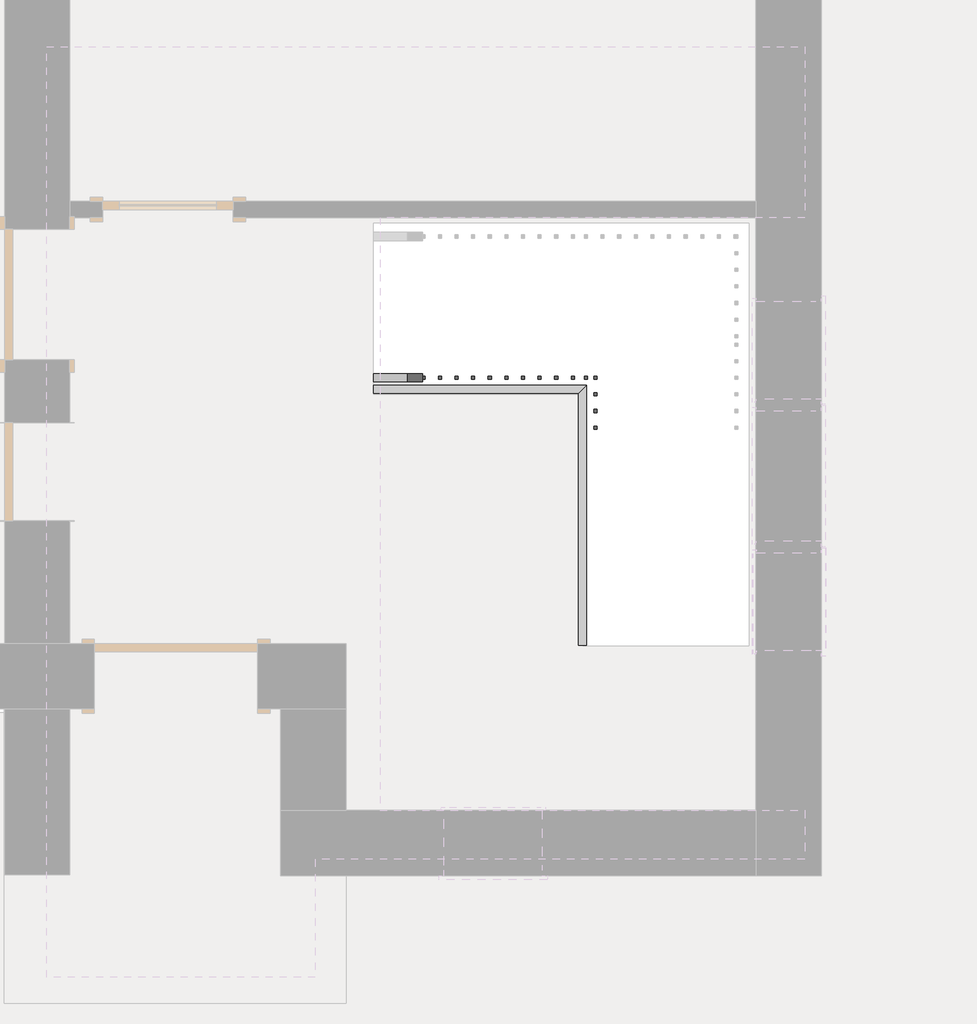
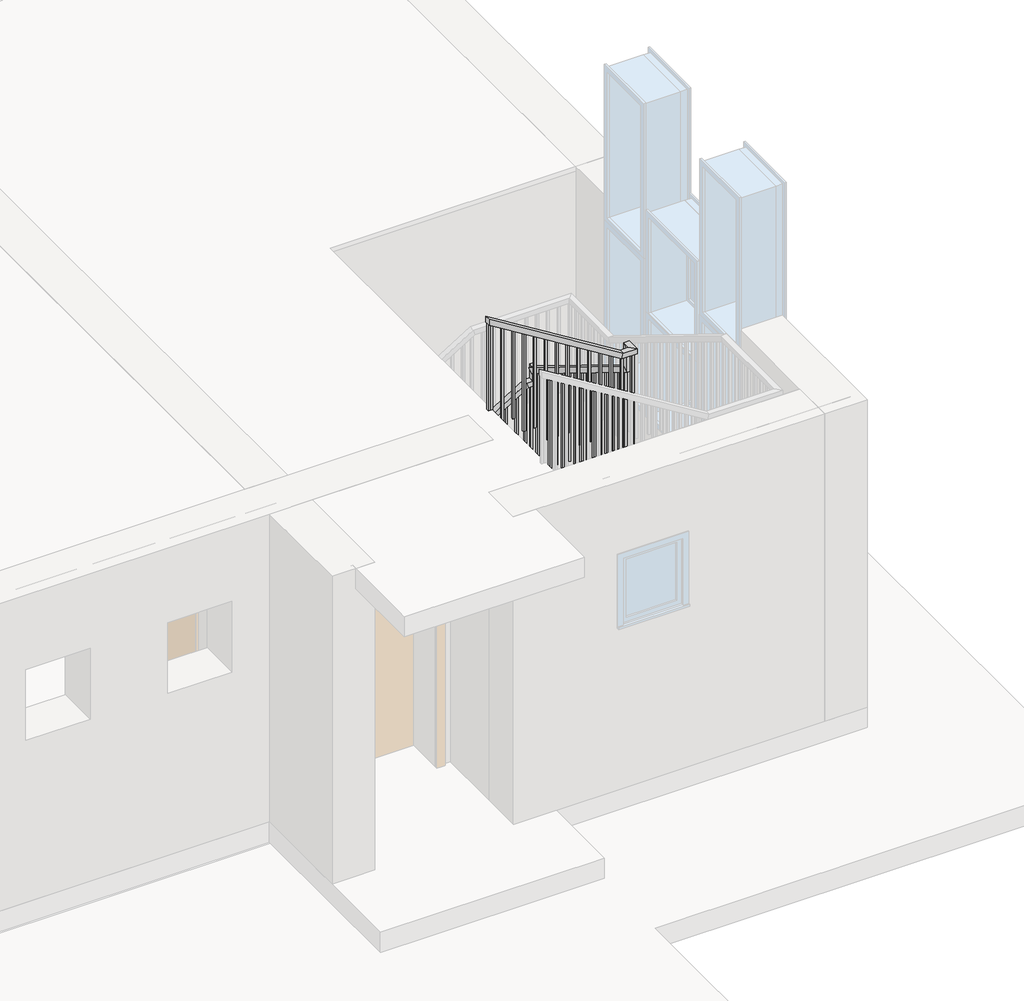
# One storey, part 2 of 3: 2 railings.
"""IFC4 building model written with IfcOpenShell, lengths in millimetres."""

from ifc_helpers import new_model, si_unit, frame, origin, origin_with_axes, place, context, project, spatial, polyline, outline, extrude, faceted_brep, element, save

model = new_model("IFC4")

# Units and contexts
model_context = context("Model", 3, world=origin())
ifc_project = project(units=[si_unit("LENGTHUNIT", "METRE", prefix="MILLI")], contexts=[model_context])

# Site, building, storey
site = spatial("IfcSite", under=ifc_project)
building = spatial("IfcBuilding", under=site)
storey = spatial("IfcBuildingStorey", under=building, Elevation=0.0)

# Railings
placement = place(None, origin())
element("IfcRailing", 1, ObjectType="Handrail - Rectangular", at=placement, inside=storey, context=model_context, shape_type="SolidModel", body=[
    faceted_brep([(-5711.5339318, 5835.2347136, 1074.4), (-5711.5339318, 5835.2347136, 1014.7516657), (-5711.5339318, 5784.4347136, 1014.7516657), (-5711.5339318, 5784.4347136, 1074.4), (-4411.5339318, 5835.2347136, 1874.4), (-4397.1553886, 5835.2347136, 1823.6), (-4397.1553886, 5784.4347136, 1823.6), (-4411.5339318, 5784.4347136, 1874.4), (-4354.3839318, 5835.2347136, 1874.4), (-4354.3839318, 5784.4347136, 1874.4), (-4303.5839318, 5784.4347136, 1823.6), (-4303.5839318, 5835.2347136, 1823.6)], [[[0, 1, 2, 3]], [[1, 0, 4, 5]], [[2, 1, 5, 6]], [[3, 2, 6, 7]], [[0, 3, 7, 4]], [[8, 9, 10, 11]], [[5, 4, 8, 11]], [[6, 5, 11, 10]], [[7, 6, 10, 9]], [[4, 7, 9, 8]]]),
    faceted_brep([(-4354.3839318, 5835.2347136, 1874.4), (-4303.5839318, 5835.2347136, 1823.6), (-4303.5839318, 5784.4347136, 1823.6), (-4354.3839318, 5784.4347136, 1874.4), (-4354.3839318, 5835.2347136, 2013.4241672), (-4354.3839318, 5784.4347136, 1985.0373713), (-4303.5839318, 5784.4347136, 1985.0373713), (-4303.5839318, 5835.2347136, 2013.4241672)], [[[0, 1, 2, 3]], [[4, 5, 6, 7]], [[1, 0, 4, 7]], [[2, 1, 7, 6]], [[3, 2, 6, 5]], [[0, 3, 5, 4]]]),
    faceted_brep([(-4328.9839318, 5809.8347136, 1999.2307692), (-4328.9839318, 5759.0347136, 1970.8439734), (-4379.7839318, 5759.0347136, 1970.8439734), (-4379.7839318, 5809.8347136, 1999.2307692), (-4328.9839318, 4268.8847136, 2947.5076923), (-4328.9839318, 4218.0847136, 2919.1208965), (-4379.7839318, 4218.0847136, 2919.1208965), (-4379.7839318, 4268.8847136, 2947.5076923), (-4328.9839318, 4268.8847136, 3181.7538462), (-4328.9839318, 4218.0847136, 3130.9538462), (-4379.7839318, 4218.0847136, 3130.9538462), (-4379.7839318, 4268.8847136, 3181.7538462), (-4328.9839318, 4141.8847136, 3181.7538462), (-4328.9839318, 4141.8847136, 3130.9538462), (-4379.7839318, 4192.6847136, 3130.9538462), (-4379.7839318, 4192.6847136, 3181.7538462), (-4455.9839318, 4141.8847136, 3181.7538462), (-4470.3624751, 4141.8847136, 3130.9538462), (-4470.3624751, 4192.6847136, 3130.9538462), (-4455.9839318, 4192.6847136, 3181.7538462), (-5711.5339318, 4141.8847136, 3954.4), (-5711.5339318, 4192.6847136, 3954.4), (-5711.5339318, 4192.6847136, 3894.7516657), (-5711.5339318, 4141.8847136, 3894.7516657)], [[[0, 1, 2, 3]], [[1, 0, 4, 5]], [[2, 1, 5, 6]], [[3, 2, 6, 7]], [[0, 3, 7, 4]], [[5, 4, 8, 9]], [[6, 5, 9, 10]], [[7, 6, 10, 11]], [[4, 7, 11, 8]], [[9, 8, 12, 13]], [[10, 9, 13, 14]], [[11, 10, 14, 15]], [[8, 11, 15, 12]], [[13, 12, 16, 17]], [[14, 13, 17, 18]], [[15, 14, 18, 19]], [[12, 15, 19, 16]], [[20, 21, 22, 23]], [[17, 16, 20, 23]], [[18, 17, 23, 22]], [[19, 18, 22, 21]], [[16, 19, 21, 20]]]),
    extrude(outline(polyline([(3866.5208965, -5665.6589318), (3878.2439734, -5684.7089318), (2880.0, -5684.7089318), (2880.0, -5665.6589318), (3866.5208965, -5665.6589318)])), frame((0.0, 4157.7597136, 0.0), z_axis=(0.0, 1.0, 0.0), x_axis=(0.0, 0.0, 1.0)), (0.0, 0.0, 1.0), 19.05),
    extrude(outline(polyline([(3803.9978195, -5564.0589318), (3815.7208965, -5583.1089318), (2880.0, -5583.1089318), (2880.0, -5564.0589318), (3803.9978195, -5564.0589318)])), frame((0.0, 4157.7597136, 0.0), z_axis=(0.0, 1.0, 0.0), x_axis=(0.0, 0.0, 1.0)), (0.0, 0.0, 1.0), 19.05),
    extrude(outline(polyline([(3741.4747426, -5462.4589318), (3753.1978195, -5481.5089318), (2880.0, -5481.5089318), (2880.0, -5462.4589318), (3741.4747426, -5462.4589318)])), frame((0.0, 4157.7597136, 0.0), z_axis=(0.0, 1.0, 0.0), x_axis=(0.0, 0.0, 1.0)), (0.0, 0.0, 1.0), 19.05),
    extrude(outline(polyline([(3678.9516657, -5360.8589318), (3690.6747426, -5379.9089318), (2720.0, -5379.9089318), (2720.0, -5360.8589318), (3678.9516657, -5360.8589318)])), frame((0.0, 4157.7597136, 0.0), z_axis=(0.0, 1.0, 0.0), x_axis=(0.0, 0.0, 1.0)), (0.0, 0.0, 1.0), 19.05),
    extrude(outline(polyline([(3616.4285888, -5259.2589318), (3628.1516657, -5278.3089318), (2720.0, -5278.3089318), (2720.0, -5259.2589318), (3616.4285888, -5259.2589318)])), frame((0.0, 4157.7597136, 0.0), z_axis=(0.0, 1.0, 0.0), x_axis=(0.0, 0.0, 1.0)), (0.0, 0.0, 1.0), 19.05),
    extrude(outline(polyline([(3553.9055118, -5157.6589318), (3565.6285888, -5176.7089318), (2560.0, -5176.7089318), (2560.0, -5157.6589318), (3553.9055118, -5157.6589318)])), frame((0.0, 4157.7597136, 0.0), z_axis=(0.0, 1.0, 0.0), x_axis=(0.0, 0.0, 1.0)), (0.0, 0.0, 1.0), 19.05),
    extrude(outline(polyline([(3491.3824349, -5056.0589318), (3503.1055118, -5075.1089318), (2560.0, -5075.1089318), (2560.0, -5056.0589318), (3491.3824349, -5056.0589318)])), frame((0.0, 4157.7597136, 0.0), z_axis=(0.0, 1.0, 0.0), x_axis=(0.0, 0.0, 1.0)), (0.0, 0.0, 1.0), 19.05),
    extrude(outline(polyline([(3428.859358, -4954.4589318), (3440.5824349, -4973.5089318), (2560.0, -4973.5089318), (2560.0, -4954.4589318), (3428.859358, -4954.4589318)])), frame((0.0, 4157.7597136, 0.0), z_axis=(0.0, 1.0, 0.0), x_axis=(0.0, 0.0, 1.0)), (0.0, 0.0, 1.0), 19.05),
    extrude(outline(polyline([(3366.3362811, -4852.8589318), (3378.059358, -4871.9089318), (2400.0, -4871.9089318), (2400.0, -4852.8589318), (3366.3362811, -4852.8589318)])), frame((0.0, 4157.7597136, 0.0), z_axis=(0.0, 1.0, 0.0), x_axis=(0.0, 0.0, 1.0)), (0.0, 0.0, 1.0), 19.05),
    extrude(outline(polyline([(3303.8132041, -4751.2589318), (3315.5362811, -4770.3089318), (2400.0, -4770.3089318), (2400.0, -4751.2589318), (3303.8132041, -4751.2589318)])), frame((0.0, 4157.7597136, 0.0), z_axis=(0.0, 1.0, 0.0), x_axis=(0.0, 0.0, 1.0)), (0.0, 0.0, 1.0), 19.05),
    extrude(outline(polyline([(3241.2901272, -4649.6589318), (3253.0132041, -4668.7089318), (2240.0, -4668.7089318), (2240.0, -4649.6589318), (3241.2901272, -4649.6589318)])), frame((0.0, 4157.7597136, 0.0), z_axis=(0.0, 1.0, 0.0), x_axis=(0.0, 0.0, 1.0)), (0.0, 0.0, 1.0), 19.05),
    extrude(outline(polyline([(3178.7670503, -4548.0589318), (3190.4901272, -4567.1089318), (2240.0, -4567.1089318), (2240.0, -4548.0589318), (3178.7670503, -4548.0589318)])), frame((0.0, 4157.7597136, 0.0), z_axis=(0.0, 1.0, 0.0), x_axis=(0.0, 0.0, 1.0)), (0.0, 0.0, 1.0), 19.05),
    extrude(outline(polyline([(-4446.4589318, 4176.8097136), (-4446.4589318, 4157.7597136), (-4465.5089318, 4157.7597136), (-4465.5089318, 4176.8097136), (-4446.4589318, 4176.8097136)])), frame((0.0, 0.0, 2240.0), z_axis=(0.0, 0.0, 1.0), x_axis=(1.0, 0.0, 0.0)), (0.0, 0.0, 1.0), 890.9538462),
    extrude(outline(polyline([(-4363.9089318, 4193.7597136), (-4344.8589318, 4193.7597136), (-4344.8589318, 4174.7097136), (-4363.9089318, 4174.7097136), (-4363.9089318, 4193.7597136)])), frame((0.0, 0.0, 2080.0), z_axis=(0.0, 0.0, 1.0), x_axis=(1.0, 0.0, 0.0)), (0.0, 0.0, 1.0), 1050.9538462),
    extrude(outline(polyline([(4276.3097136, 2883.2901272), (4295.3597136, 2871.5670503), (4295.3597136, 1920.0), (4276.3097136, 1920.0), (4276.3097136, 2883.2901272)])), frame((-4363.9089318, 0.0, 0.0), z_axis=(1.0, 0.0, 0.0), x_axis=(0.0, 1.0, 0.0)), (0.0, 0.0, 1.0), 19.05),
    extrude(outline(polyline([(4377.9097136, 2820.7670503), (4396.9597136, 2809.0439734), (4396.9597136, 1920.0), (4377.9097136, 1920.0), (4377.9097136, 2820.7670503)])), frame((-4363.9089318, 0.0, 0.0), z_axis=(1.0, 0.0, 0.0), x_axis=(0.0, 1.0, 0.0)), (0.0, 0.0, 1.0), 19.05),
    extrude(outline(polyline([(4479.5097136, 2758.2439734), (4498.5597136, 2746.5208965), (4498.5597136, 1760.0), (4479.5097136, 1760.0), (4479.5097136, 2758.2439734)])), frame((-4363.9089318, 0.0, 0.0), z_axis=(1.0, 0.0, 0.0), x_axis=(0.0, 1.0, 0.0)), (0.0, 0.0, 1.0), 19.05),
    extrude(outline(polyline([(4581.1097136, 2695.7208965), (4600.1597136, 2683.9978195), (4600.1597136, 1760.0), (4581.1097136, 1760.0), (4581.1097136, 2695.7208965)])), frame((-4363.9089318, 0.0, 0.0), z_axis=(1.0, 0.0, 0.0), x_axis=(0.0, 1.0, 0.0)), (0.0, 0.0, 1.0), 19.05),
    extrude(outline(polyline([(4682.7097136, 2633.1978195), (4701.7597136, 2621.4747426), (4701.7597136, 1760.0), (4682.7097136, 1760.0), (4682.7097136, 2633.1978195)])), frame((-4363.9089318, 0.0, 0.0), z_axis=(1.0, 0.0, 0.0), x_axis=(0.0, 1.0, 0.0)), (0.0, 0.0, 1.0), 19.05),
    extrude(outline(polyline([(4784.3097136, 2570.6747426), (4803.3597136, 2558.9516657), (4803.3597136, 1600.0), (4784.3097136, 1600.0), (4784.3097136, 2570.6747426)])), frame((-4363.9089318, 0.0, 0.0), z_axis=(1.0, 0.0, 0.0), x_axis=(0.0, 1.0, 0.0)), (0.0, 0.0, 1.0), 19.05),
    extrude(outline(polyline([(4885.9097136, 2508.1516657), (4904.9597136, 2496.4285888), (4904.9597136, 1600.0), (4885.9097136, 1600.0), (4885.9097136, 2508.1516657)])), frame((-4363.9089318, 0.0, 0.0), z_axis=(1.0, 0.0, 0.0), x_axis=(0.0, 1.0, 0.0)), (0.0, 0.0, 1.0), 19.05),
    extrude(outline(polyline([(4987.5097136, 2445.6285888), (5006.5597136, 2433.9055118), (5006.5597136, 1440.0), (4987.5097136, 1440.0), (4987.5097136, 2445.6285888)])), frame((-4363.9089318, 0.0, 0.0), z_axis=(1.0, 0.0, 0.0), x_axis=(0.0, 1.0, 0.0)), (0.0, 0.0, 1.0), 19.05),
    extrude(outline(polyline([(5089.1097136, 2383.1055118), (5108.1597136, 2371.3824349), (5108.1597136, 1440.0), (5089.1097136, 1440.0), (5089.1097136, 2383.1055118)])), frame((-4363.9089318, 0.0, 0.0), z_axis=(1.0, 0.0, 0.0), x_axis=(0.0, 1.0, 0.0)), (0.0, 0.0, 1.0), 19.05),
    extrude(outline(polyline([(5190.7097136, 2320.5824349), (5209.7597136, 2308.859358), (5209.7597136, 1440.0), (5190.7097136, 1440.0), (5190.7097136, 2320.5824349)])), frame((-4363.9089318, 0.0, 0.0), z_axis=(1.0, 0.0, 0.0), x_axis=(0.0, 1.0, 0.0)), (0.0, 0.0, 1.0), 19.05),
    extrude(outline(polyline([(5292.3097136, 2258.059358), (5311.3597136, 2246.3362811), (5311.3597136, 1280.0), (5292.3097136, 1280.0), (5292.3097136, 2258.059358)])), frame((-4363.9089318, 0.0, 0.0), z_axis=(1.0, 0.0, 0.0), x_axis=(0.0, 1.0, 0.0)), (0.0, 0.0, 1.0), 19.05),
    extrude(outline(polyline([(5393.9097136, 2195.5362811), (5412.9597136, 2183.8132041), (5412.9597136, 1280.0), (5393.9097136, 1280.0), (5393.9097136, 2195.5362811)])), frame((-4363.9089318, 0.0, 0.0), z_axis=(1.0, 0.0, 0.0), x_axis=(0.0, 1.0, 0.0)), (0.0, 0.0, 1.0), 19.05),
    extrude(outline(polyline([(5495.5097136, 2133.0132041), (5514.5597136, 2121.2901272), (5514.5597136, 1120.0), (5495.5097136, 1120.0), (5495.5097136, 2133.0132041)])), frame((-4363.9089318, 0.0, 0.0), z_axis=(1.0, 0.0, 0.0), x_axis=(0.0, 1.0, 0.0)), (0.0, 0.0, 1.0), 19.05),
    extrude(outline(polyline([(5597.1097136, 2070.4901272), (5616.1597136, 2058.7670503), (5616.1597136, 1120.0), (5597.1097136, 1120.0), (5597.1097136, 2070.4901272)])), frame((-4363.9089318, 0.0, 0.0), z_axis=(1.0, 0.0, 0.0), x_axis=(0.0, 1.0, 0.0)), (0.0, 0.0, 1.0), 19.05),
    extrude(outline(polyline([(5698.7097136, 2007.9670503), (5717.7597136, 1996.2439734), (5717.7597136, 1120.0), (5698.7097136, 1120.0), (5698.7097136, 2007.9670503)])), frame((-4363.9089318, 0.0, 0.0), z_axis=(1.0, 0.0, 0.0), x_axis=(0.0, 1.0, 0.0)), (0.0, 0.0, 1.0), 19.05),
    extrude(outline(polyline([(1770.8901272, -4482.8089318), (1759.1670503, -4501.8589318), (800.0, -4501.8589318), (800.0, -4482.8089318), (1770.8901272, -4482.8089318)])), frame((0.0, 5800.3097136, 0.0), z_axis=(0.0, 1.0, 0.0), x_axis=(0.0, 0.0, 1.0)), (0.0, 0.0, 1.0), 19.05),
    extrude(outline(polyline([(1708.3670503, -4584.4089318), (1696.6439734, -4603.4589318), (800.0, -4603.4589318), (800.0, -4584.4089318), (1708.3670503, -4584.4089318)])), frame((0.0, 5800.3097136, 0.0), z_axis=(0.0, 1.0, 0.0), x_axis=(0.0, 0.0, 1.0)), (0.0, 0.0, 1.0), 19.05),
    extrude(outline(polyline([(1645.8439734, -4686.0089318), (1634.1208965, -4705.0589318), (640.0, -4705.0589318), (640.0, -4686.0089318), (1645.8439734, -4686.0089318)])), frame((0.0, 5800.3097136, 0.0), z_axis=(0.0, 1.0, 0.0), x_axis=(0.0, 0.0, 1.0)), (0.0, 0.0, 1.0), 19.05),
    extrude(outline(polyline([(1583.3208965, -4787.6089318), (1571.5978195, -4806.6589318), (640.0, -4806.6589318), (640.0, -4787.6089318), (1583.3208965, -4787.6089318)])), frame((0.0, 5800.3097136, 0.0), z_axis=(0.0, 1.0, 0.0), x_axis=(0.0, 0.0, 1.0)), (0.0, 0.0, 1.0), 19.05),
    extrude(outline(polyline([(1520.7978195, -4889.2089318), (1509.0747426, -4908.2589318), (640.0, -4908.2589318), (640.0, -4889.2089318), (1520.7978195, -4889.2089318)])), frame((0.0, 5800.3097136, 0.0), z_axis=(0.0, 1.0, 0.0), x_axis=(0.0, 0.0, 1.0)), (0.0, 0.0, 1.0), 19.05),
    extrude(outline(polyline([(1458.2747426, -4990.8089318), (1446.5516657, -5009.8589318), (480.0, -5009.8589318), (480.0, -4990.8089318), (1458.2747426, -4990.8089318)])), frame((0.0, 5800.3097136, 0.0), z_axis=(0.0, 1.0, 0.0), x_axis=(0.0, 0.0, 1.0)), (0.0, 0.0, 1.0), 19.05),
    extrude(outline(polyline([(1395.7516657, -5092.4089318), (1384.0285888, -5111.4589318), (480.0, -5111.4589318), (480.0, -5092.4089318), (1395.7516657, -5092.4089318)])), frame((0.0, 5800.3097136, 0.0), z_axis=(0.0, 1.0, 0.0), x_axis=(0.0, 0.0, 1.0)), (0.0, 0.0, 1.0), 19.05),
    extrude(outline(polyline([(1333.2285888, -5194.0089318), (1321.5055118, -5213.0589318), (320.0, -5213.0589318), (320.0, -5194.0089318), (1333.2285888, -5194.0089318)])), frame((0.0, 5800.3097136, 0.0), z_axis=(0.0, 1.0, 0.0), x_axis=(0.0, 0.0, 1.0)), (0.0, 0.0, 1.0), 19.05),
    extrude(outline(polyline([(1270.7055118, -5295.6089318), (1258.9824349, -5314.6589318), (320.0, -5314.6589318), (320.0, -5295.6089318), (1270.7055118, -5295.6089318)])), frame((0.0, 5800.3097136, 0.0), z_axis=(0.0, 1.0, 0.0), x_axis=(0.0, 0.0, 1.0)), (0.0, 0.0, 1.0), 19.05),
    extrude(outline(polyline([(1208.1824349, -5397.2089318), (1196.459358, -5416.2589318), (320.0, -5416.2589318), (320.0, -5397.2089318), (1208.1824349, -5397.2089318)])), frame((0.0, 5800.3097136, 0.0), z_axis=(0.0, 1.0, 0.0), x_axis=(0.0, 0.0, 1.0)), (0.0, 0.0, 1.0), 19.05),
    extrude(outline(polyline([(1145.659358, -5498.8089318), (1133.9362811, -5517.8589318), (160.0, -5517.8589318), (160.0, -5498.8089318), (1145.659358, -5498.8089318)])), frame((0.0, 5800.3097136, 0.0), z_axis=(0.0, 1.0, 0.0), x_axis=(0.0, 0.0, 1.0)), (0.0, 0.0, 1.0), 19.05),
    extrude(outline(polyline([(1083.1362811, -5600.4089318), (1071.4132041, -5619.4589318), (160.0, -5619.4589318), (160.0, -5600.4089318), (1083.1362811, -5600.4089318)])), frame((0.0, 5800.3097136, 0.0), z_axis=(0.0, 1.0, 0.0), x_axis=(0.0, 0.0, 1.0)), (0.0, 0.0, 1.0), 19.05),
    extrude(outline(polyline([(-4344.8589318, 4176.8097136), (-4344.8589318, 4157.7597136), (-4363.9089318, 4157.7597136), (-4363.9089318, 4176.8097136), (-4344.8589318, 4176.8097136)])), frame((0.0, 0.0, 2080.0), z_axis=(0.0, 0.0, 1.0), x_axis=(1.0, 0.0, 0.0)), (0.0, 0.0, 1.0), 1050.9538462),
    extrude(outline(polyline([(-4363.9089318, 5819.3597136), (-4344.8589318, 5819.3597136), (-4344.8589318, 5800.3097136), (-4363.9089318, 5800.3097136), (-4363.9089318, 5819.3597136)])), frame((0.0, 0.0, 960.0), z_axis=(0.0, 0.0, 1.0), x_axis=(1.0, 0.0, 0.0)), (0.0, 0.0, 1.0), 863.6),
    extrude(outline(polyline([(1855.7824349, -4402.0089318), (1844.059358, -4421.0589318), (960.0, -4421.0589318), (960.0, -4402.0089318), (1855.7824349, -4402.0089318)])), frame((0.0, 5800.3097136, 0.0), z_axis=(0.0, 1.0, 0.0), x_axis=(0.0, 0.0, 1.0)), (0.0, 0.0, 1.0), 19.05),
    extrude(outline(polyline([(3883.0285888, -5692.4839318), (3894.7516657, -5711.5339318), (2880.0, -5711.5339318), (2880.0, -5692.4839318), (3883.0285888, -5692.4839318)])), frame((0.0, 4157.7597136, 0.0), z_axis=(0.0, 1.0, 0.0), x_axis=(0.0, 0.0, 1.0)), (0.0, 0.0, 1.0), 19.05),
    extrude(outline(polyline([(1026.4747426, -5692.4839318), (1014.7516657, -5711.5339318), (160.0, -5711.5339318), (160.0, -5692.4839318), (1026.4747426, -5692.4839318)])), frame((0.0, 5800.3097136, 0.0), z_axis=(0.0, 1.0, 0.0), x_axis=(0.0, 0.0, 1.0)), (0.0, 0.0, 1.0), 19.05),
])
element("IfcRailing", 2, ObjectType="Handrail - Rectangular", at=placement, inside=storey, context=model_context, shape_type="SolidModel", body=[
    faceted_brep([(-5712.8765905, 5764.7288218, 914.4), (-5712.8765905, 5764.7288218, 863.6), (-5712.8765905, 5713.9288218, 863.6), (-5712.8765905, 5713.9288218, 914.4), (-4407.4765905, 5764.7288218, 914.4), (-4407.4765905, 5764.7288218, 863.6), (-4458.2765905, 5713.9288218, 863.6), (-4458.2765905, 5713.9288218, 914.4), (-4407.4765905, 4174.3288218, 914.4), (-4458.2765905, 4174.3288218, 914.4), (-4458.2765905, 4174.3288218, 863.6), (-4407.4765905, 4174.3288218, 863.6)], [[[0, 1, 2, 3]], [[1, 0, 4, 5]], [[2, 1, 5, 6]], [[3, 2, 6, 7]], [[0, 3, 7, 4]], [[8, 9, 10, 11]], [[5, 4, 8, 11]], [[6, 5, 11, 10]], [[7, 6, 10, 9]], [[4, 7, 9, 8]]]),
    extrude(outline(polyline([(-4442.4015905, 4224.8538218), (-4423.3515905, 4224.8538218), (-4423.3515905, 4205.8038218), (-4442.4015905, 4205.8038218), (-4442.4015905, 4224.8538218)])), origin_with_axes(), (0.0, 0.0, 1.0), 863.6),
    extrude(outline(polyline([(-4442.4015905, 4326.4538218), (-4423.3515905, 4326.4538218), (-4423.3515905, 4307.4038218), (-4442.4015905, 4307.4038218), (-4442.4015905, 4326.4538218)])), origin_with_axes(), (0.0, 0.0, 1.0), 863.6),
    extrude(outline(polyline([(-4442.4015905, 4428.0538218), (-4423.3515905, 4428.0538218), (-4423.3515905, 4409.0038218), (-4442.4015905, 4409.0038218), (-4442.4015905, 4428.0538218)])), origin_with_axes(), (0.0, 0.0, 1.0), 863.6),
    extrude(outline(polyline([(-4442.4015905, 4529.6538218), (-4423.3515905, 4529.6538218), (-4423.3515905, 4510.6038218), (-4442.4015905, 4510.6038218), (-4442.4015905, 4529.6538218)])), origin_with_axes(), (0.0, 0.0, 1.0), 863.6),
    extrude(outline(polyline([(-4442.4015905, 4631.2538218), (-4423.3515905, 4631.2538218), (-4423.3515905, 4612.2038218), (-4442.4015905, 4612.2038218), (-4442.4015905, 4631.2538218)])), origin_with_axes(), (0.0, 0.0, 1.0), 863.6),
    extrude(outline(polyline([(-4442.4015905, 4732.8538218), (-4423.3515905, 4732.8538218), (-4423.3515905, 4713.8038218), (-4442.4015905, 4713.8038218), (-4442.4015905, 4732.8538218)])), origin_with_axes(), (0.0, 0.0, 1.0), 863.6),
    extrude(outline(polyline([(-4442.4015905, 4834.4538218), (-4423.3515905, 4834.4538218), (-4423.3515905, 4815.4038218), (-4442.4015905, 4815.4038218), (-4442.4015905, 4834.4538218)])), origin_with_axes(), (0.0, 0.0, 1.0), 863.6),
    extrude(outline(polyline([(-4442.4015905, 4936.0538218), (-4423.3515905, 4936.0538218), (-4423.3515905, 4917.0038218), (-4442.4015905, 4917.0038218), (-4442.4015905, 4936.0538218)])), origin_with_axes(), (0.0, 0.0, 1.0), 863.6),
    extrude(outline(polyline([(-4442.4015905, 5037.6538218), (-4423.3515905, 5037.6538218), (-4423.3515905, 5018.6038218), (-4442.4015905, 5018.6038218), (-4442.4015905, 5037.6538218)])), origin_with_axes(), (0.0, 0.0, 1.0), 863.6),
    extrude(outline(polyline([(-4442.4015905, 5139.2538218), (-4423.3515905, 5139.2538218), (-4423.3515905, 5120.2038218), (-4442.4015905, 5120.2038218), (-4442.4015905, 5139.2538218)])), origin_with_axes(), (0.0, 0.0, 1.0), 863.6),
    extrude(outline(polyline([(-4442.4015905, 5240.8538218), (-4423.3515905, 5240.8538218), (-4423.3515905, 5221.8038218), (-4442.4015905, 5221.8038218), (-4442.4015905, 5240.8538218)])), origin_with_axes(), (0.0, 0.0, 1.0), 863.6),
    extrude(outline(polyline([(-4442.4015905, 5342.4538218), (-4423.3515905, 5342.4538218), (-4423.3515905, 5323.4038218), (-4442.4015905, 5323.4038218), (-4442.4015905, 5342.4538218)])), origin_with_axes(), (0.0, 0.0, 1.0), 863.6),
    extrude(outline(polyline([(-4442.4015905, 5444.0538218), (-4423.3515905, 5444.0538218), (-4423.3515905, 5425.0038218), (-4442.4015905, 5425.0038218), (-4442.4015905, 5444.0538218)])), origin_with_axes(), (0.0, 0.0, 1.0), 863.6),
    extrude(outline(polyline([(-4442.4015905, 5545.6538218), (-4423.3515905, 5545.6538218), (-4423.3515905, 5526.6038218), (-4442.4015905, 5526.6038218), (-4442.4015905, 5545.6538218)])), origin_with_axes(), (0.0, 0.0, 1.0), 863.6),
    extrude(outline(polyline([(-4442.4015905, 5647.2538218), (-4423.3515905, 5647.2538218), (-4423.3515905, 5628.2038218), (-4442.4015905, 5628.2038218), (-4442.4015905, 5647.2538218)])), origin_with_axes(), (0.0, 0.0, 1.0), 863.6),
    extrude(outline(polyline([(-4503.2015905, 5729.8038218), (-4503.2015905, 5748.8538218), (-4484.1515905, 5748.8538218), (-4484.1515905, 5729.8038218), (-4503.2015905, 5729.8038218)])), origin_with_axes(), (0.0, 0.0, 1.0), 863.6),
    extrude(outline(polyline([(-4604.8015905, 5729.8038218), (-4604.8015905, 5748.8538218), (-4585.7515905, 5748.8538218), (-4585.7515905, 5729.8038218), (-4604.8015905, 5729.8038218)])), origin_with_axes(), (0.0, 0.0, 1.0), 863.6),
    extrude(outline(polyline([(-4706.4015905, 5729.8038218), (-4706.4015905, 5748.8538218), (-4687.3515905, 5748.8538218), (-4687.3515905, 5729.8038218), (-4706.4015905, 5729.8038218)])), origin_with_axes(), (0.0, 0.0, 1.0), 863.6),
    extrude(outline(polyline([(-4808.0015905, 5729.8038218), (-4808.0015905, 5748.8538218), (-4788.9515905, 5748.8538218), (-4788.9515905, 5729.8038218), (-4808.0015905, 5729.8038218)])), origin_with_axes(), (0.0, 0.0, 1.0), 863.6),
    extrude(outline(polyline([(-4909.6015905, 5729.8038218), (-4909.6015905, 5748.8538218), (-4890.5515905, 5748.8538218), (-4890.5515905, 5729.8038218), (-4909.6015905, 5729.8038218)])), origin_with_axes(), (0.0, 0.0, 1.0), 863.6),
    extrude(outline(polyline([(-5011.2015905, 5729.8038218), (-5011.2015905, 5748.8538218), (-4992.1515905, 5748.8538218), (-4992.1515905, 5729.8038218), (-5011.2015905, 5729.8038218)])), origin_with_axes(), (0.0, 0.0, 1.0), 863.6),
    extrude(outline(polyline([(-5112.8015905, 5729.8038218), (-5112.8015905, 5748.8538218), (-5093.7515905, 5748.8538218), (-5093.7515905, 5729.8038218), (-5112.8015905, 5729.8038218)])), origin_with_axes(), (0.0, 0.0, 1.0), 863.6),
    extrude(outline(polyline([(-5214.4015905, 5729.8038218), (-5214.4015905, 5748.8538218), (-5195.3515905, 5748.8538218), (-5195.3515905, 5729.8038218), (-5214.4015905, 5729.8038218)])), origin_with_axes(), (0.0, 0.0, 1.0), 863.6),
    extrude(outline(polyline([(-5316.0015905, 5729.8038218), (-5316.0015905, 5748.8538218), (-5296.9515905, 5748.8538218), (-5296.9515905, 5729.8038218), (-5316.0015905, 5729.8038218)])), origin_with_axes(), (0.0, 0.0, 1.0), 863.6),
    extrude(outline(polyline([(-5417.6015905, 5729.8038218), (-5417.6015905, 5748.8538218), (-5398.5515905, 5748.8538218), (-5398.5515905, 5729.8038218), (-5417.6015905, 5729.8038218)])), origin_with_axes(), (0.0, 0.0, 1.0), 863.6),
    extrude(outline(polyline([(-5519.2015905, 5729.8038218), (-5519.2015905, 5748.8538218), (-5500.1515905, 5748.8538218), (-5500.1515905, 5729.8038218), (-5519.2015905, 5729.8038218)])), origin_with_axes(), (0.0, 0.0, 1.0), 863.6),
    extrude(outline(polyline([(-5620.8015905, 5729.8038218), (-5620.8015905, 5748.8538218), (-5601.7515905, 5748.8538218), (-5601.7515905, 5729.8038218), (-5620.8015905, 5729.8038218)])), origin_with_axes(), (0.0, 0.0, 1.0), 863.6),
    extrude(outline(polyline([(-4442.4015905, 5729.8038218), (-4442.4015905, 5748.8538218), (-4423.3515905, 5748.8538218), (-4423.3515905, 5729.8038218), (-4442.4015905, 5729.8038218)])), origin_with_axes(), (0.0, 0.0, 1.0), 863.6),
    extrude(outline(polyline([(-4442.4015905, 4193.3788218), (-4423.3515905, 4193.3788218), (-4423.3515905, 4174.3288218), (-4442.4015905, 4174.3288218), (-4442.4015905, 4193.3788218)])), origin_with_axes(), (0.0, 0.0, 1.0), 863.6),
    extrude(outline(polyline([(-5712.8765905, 5729.8038218), (-5712.8765905, 5748.8538218), (-5693.8265905, 5748.8538218), (-5693.8265905, 5729.8038218), (-5712.8765905, 5729.8038218)])), origin_with_axes(), (0.0, 0.0, 1.0), 863.6),
])

save(model, "model.ifc")
